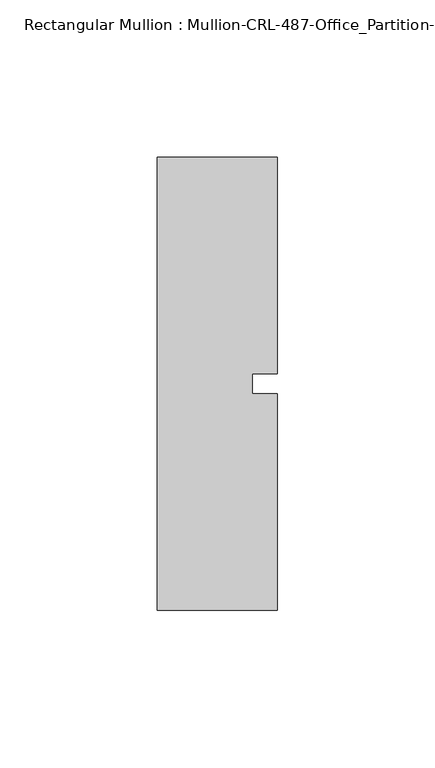
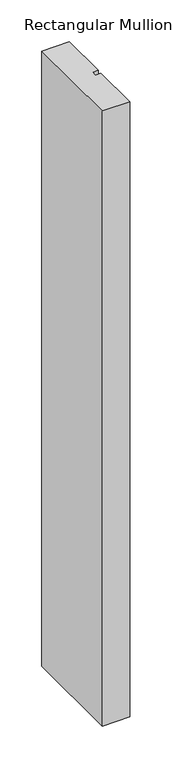
"""IFC4 building model written with IfcOpenShell, lengths in millimetres: member geometry, Rectangular Mullion : Mullion-CRL-487-Office_Partition-Intermediate_Door_Head."""

from ifc_helpers import new_model, si_unit, frame, origin, place, context, project, spatial, polyline, outline, extrude, source, transform, mapped, element, save


def rectangular_mullion_mullion_crl_487_office_partition_e6046d61(model_context):
    return source(origin(), model_context, "Body", "SweptSolid", [
        extrude(outline(polyline([(-19.05, -71.9452143), (-19.05, 71.9452142), (19.05, 71.9452142), (19.05, 3.175), (11.1125, 3.175), (11.1125, -3.175), (19.05, -3.175), (19.05, -71.9452143), (-19.05, -71.9452143)])), frame((0.0, 0.0, -896.9502), z_axis=(0.0, 0.0, 1.0), x_axis=(1.0, 0.0, 0.0)), (0.0, 0.0, 1.0), 896.9502),
    ])


if __name__ == "__main__":
    model = new_model("IFC4")
    model_context = context("Model", 3, world=origin())
    ifc_project = project(units=[si_unit("LENGTHUNIT", "METRE", prefix="MILLI")], contexts=[model_context])
    site = spatial("IfcSite", under=ifc_project)
    building = spatial("IfcBuilding", under=site)
    placement = place(None, origin())
    rectangular_mullion_mullion_crl_487_office_partition_shape = rectangular_mullion_mullion_crl_487_office_partition_e6046d61(model_context)
    element("IfcMember", 1, ObjectType="Rectangular Mullion : Mullion-CRL-487-Office_Partition-Intermediate_Door_Head", at=placement, inside=building, context=model_context, shape_type="MappedRepresentation", body=[
        mapped(rectangular_mullion_mullion_crl_487_office_partition_shape, transform((0.0, 0.0, 0.0), x_axis=(1.0, 0.0, 0.0), y_axis=(0.0, 1.0, 0.0), z_axis=(0.0, 0.0, 1.0))),
    ])
    save(model, "model.ifc")
